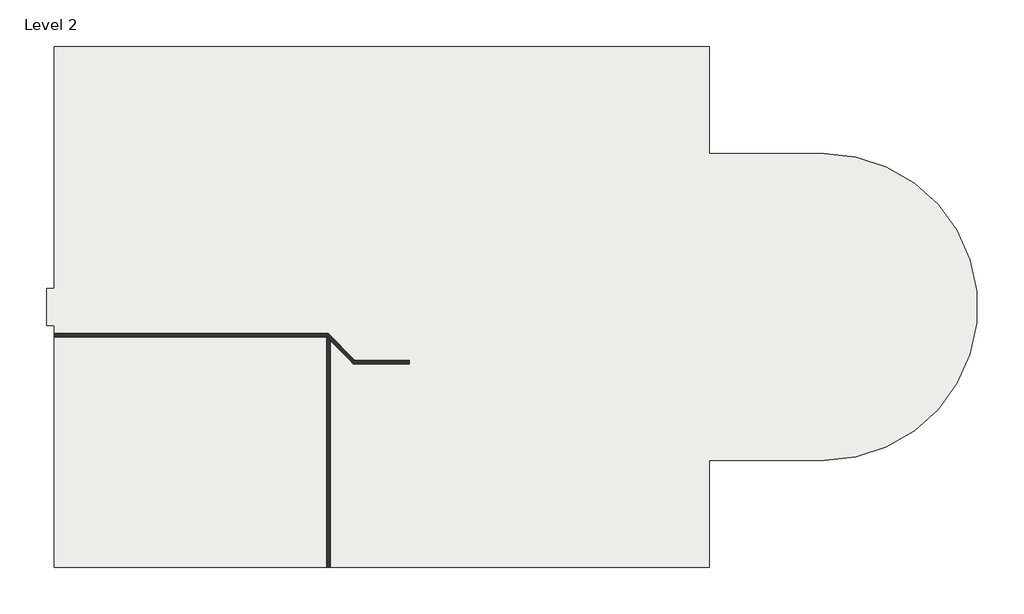
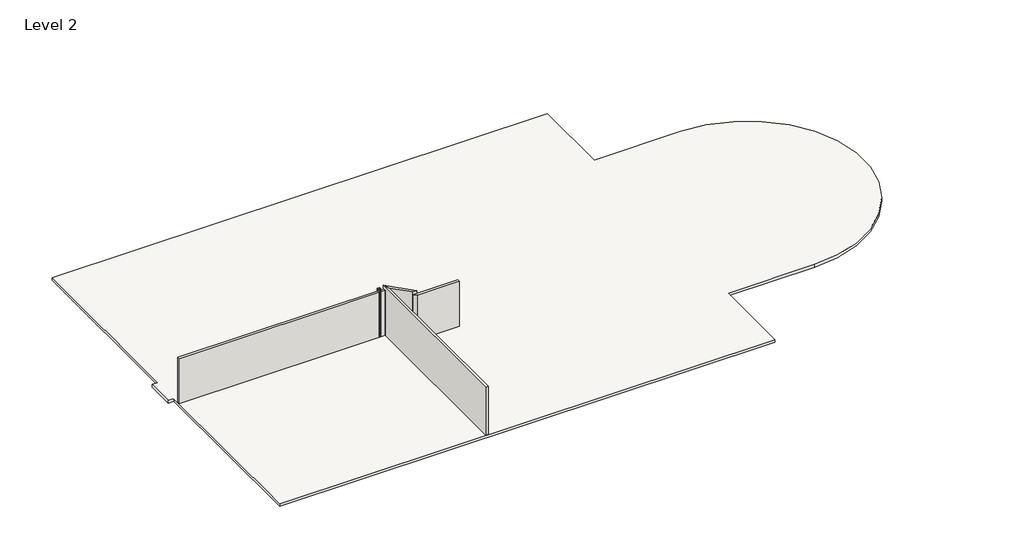
# One storey: 4 walls, 1 column, 1 slab.
"""IFC4 building model written with IfcOpenShell, lengths in millimetres."""

import ifcopenshell
import ifcopenshell.guid

model = None  # the IFC model being written
_history = None  # IfcOwnerHistory: only IFC2X3 demands one
_inside = {}  # id of a spatial element -> (the spatial element, [elements in it])
_under = {}  # id of a project, library or spatial element -> (it, [spatial elements below it])
_declared = {}  # id of a project -> (the project, [libraries it declares])
_typed = {}  # id of a type object -> (the type object, [elements of that type])
_made_of = {}  # id of a material, layer set ... -> (it, [elements and type objects made of it])


def new_model(schema):
    """Start an empty IFC model of exactly this schema.

    Asked for "IFC4X3", IfcOpenShell would pick the latest addendum, in which some entities
    have other attributes; the version numbers below select the first issue.
    IFC2X3 requires an IfcOwnerHistory on every rooted entity: one is made here for all.
    """
    global model, _history
    if schema == "IFC4X3":
        model = ifcopenshell.file(schema_version=(4, 3, 0, 0))
    else:
        model = ifcopenshell.file(schema=schema)
    _inside.clear()
    _under.clear()
    _declared.clear()
    _typed.clear()
    _made_of.clear()
    _history = None
    if model.schema == "IFC2X3":
        org = make("IfcOrganization", Name="unknown")
        user = make(
            "IfcPersonAndOrganization",
            ThePerson=make("IfcPerson", FamilyName="unknown"),
            TheOrganization=org,
        )
        app = make(
            "IfcApplication",
            ApplicationDeveloper=org,
            Version="unknown",
            ApplicationFullName="unknown",
            ApplicationIdentifier="unknown",
        )
        _history = make(
            "IfcOwnerHistory",
            OwningUser=user,
            OwningApplication=app,
            ChangeAction="ADDED",
            CreationDate=0,
        )
    return model


def make(cls, **values):
    """One entity of the class cls with the attributes given. An attribute that is None is left unset."""
    return model.create_entity(
        cls, **{name: value for name, value in values.items() if value is not None}
    )


def rooted(cls, **values):
    """An entity with a GlobalId (a new one), such as an element, a storey or a relation."""
    return make(cls, GlobalId=ifcopenshell.guid.new(), OwnerHistory=_history, **values)


def si_unit(unit_type, name, prefix=None):
    """IfcSIUnit, for example si_unit("LENGTHUNIT", "METRE", prefix="MILLI")."""
    return make("IfcSIUnit", UnitType=unit_type, Prefix=prefix, Name=name)


def assignment(units):
    """IfcUnitAssignment: the units of a project."""
    return None if units is None else make("IfcUnitAssignment", Units=units)


def point(xyz):
    """IfcCartesianPoint."""
    return None if xyz is None else make("IfcCartesianPoint", Coordinates=xyz)


def direction(xyz):
    """IfcDirection."""
    return None if xyz is None else make("IfcDirection", DirectionRatios=xyz)


def frame(location, z_axis=None, x_axis=None):
    """IfcAxis2Placement3D, a coordinate frame: its origin and axes. An axis left out is left unset."""
    return make(
        "IfcAxis2Placement3D",
        Location=point(location),
        Axis=direction(z_axis),
        RefDirection=direction(x_axis),
    )


def frame_2d(location, x_axis=None):
    """IfcAxis2Placement2D, a coordinate frame in the plane: its origin and x axis."""
    return make(
        "IfcAxis2Placement2D", Location=point(location), RefDirection=direction(x_axis)
    )


def origin():
    """The frame at (0, 0, 0) with its axes left unset."""
    return frame((0.0, 0.0, 0.0))


def place(relative_to, where):
    """IfcLocalPlacement: puts the frame where relative to a parent placement (None: the world)."""
    return make(
        "IfcLocalPlacement", PlacementRelTo=relative_to, RelativePlacement=where
    )


def context(
    kind, dimensions, precision=None, world=None, true_north=None, identifier=None
):
    """IfcGeometricRepresentationContext, for example the 3D "Model" context."""
    return make(
        "IfcGeometricRepresentationContext",
        ContextIdentifier=identifier,
        ContextType=kind,
        CoordinateSpaceDimension=dimensions,
        Precision=precision,
        WorldCoordinateSystem=world,
        TrueNorth=true_north,
    )


def project(units=None, contexts=None):
    """IfcProject with its units and contexts."""
    return rooted(
        "IfcProject",
        Name="project",
        RepresentationContexts=contexts,
        UnitsInContext=assignment(units),
    )


def spatial(cls, under=None, at=None, **own):
    """A site, building, storey or space (cls), placed at a placement, below another one or the project."""
    s = rooted(cls, ObjectPlacement=at, **own)
    if under is not None:
        _under.setdefault(under.id(), (under, []))[1].append(s)
    return s


def polyline(points):
    """IfcPolyline through the points."""
    return make("IfcPolyline", Points=[point(p) for p in points])


def circle_curve(where, radius):
    """IfcCircle in the frame where."""
    return make("IfcCircle", Position=where, Radius=radius)


def trimmed(basis, trim1, trim2, sense, master):
    """IfcTrimmedCurve: the piece of a basis curve between two trims."""
    return make(
        "IfcTrimmedCurve",
        BasisCurve=basis,
        Trim1=trim1,
        Trim2=trim2,
        SenseAgreement=sense,
        MasterRepresentation=master,
    )


def segment(curve, same_sense, transition):
    """IfcCompositeCurveSegment."""
    return make(
        "IfcCompositeCurveSegment",
        Transition=transition,
        SameSense=same_sense,
        ParentCurve=curve,
    )


def composite_curve(segments, self_intersect=None):
    """IfcCompositeCurve: segments joined end to end."""
    return make("IfcCompositeCurve", Segments=segments, SelfIntersect=self_intersect)


def outline(outer, holes=None, kind="AREA"):
    """IfcArbitraryClosedProfileDef: a profile drawn as a closed curve; with holes, ...WithVoids."""
    if holes is None:
        return make("IfcArbitraryClosedProfileDef", ProfileType=kind, OuterCurve=outer)
    return make(
        "IfcArbitraryProfileDefWithVoids",
        ProfileType=kind,
        OuterCurve=outer,
        InnerCurves=holes,
    )


def extrude(swept, where, along, depth):
    """IfcExtrudedAreaSolid: the profile swept, set in the frame where, extruded along a direction by depth."""
    return make(
        "IfcExtrudedAreaSolid",
        SweptArea=swept,
        Position=where,
        ExtrudedDirection=direction(along),
        Depth=depth,
    )


def faces_of(points, faces, orient=None, outer=None):
    """IfcFace entities. A face is a list of loops; a loop is a list of indices into points, from 0.

    orient and outer hold one flag for each loop. By default every Orientation is true, the
    first loop of a face is its IfcFaceOuterBound and the others are IfcFaceBound.
    """
    made = []
    for i, loops in enumerate(faces):
        bounds = []
        for j, loop in enumerate(loops):
            is_outer = j == 0 if outer is None else outer[i][j]
            bounds.append(
                make(
                    "IfcFaceOuterBound" if is_outer else "IfcFaceBound",
                    Bound=make("IfcPolyLoop", Polygon=[points[k] for k in loop]),
                    Orientation=True if orient is None else orient[i][j],
                )
            )
        made.append(make("IfcFace", Bounds=bounds))
    return made


def faceted_brep(points, faces, orient=None, outer=None, voids=None):
    """IfcFacetedBrep: a solid bounded by flat faces; with voids (closed shells), ...WithVoids."""
    shared = [point(p) for p in points]
    hull = make("IfcClosedShell", CfsFaces=faces_of(shared, faces, orient, outer))
    if voids is None:
        return make("IfcFacetedBrep", Outer=hull)
    return make(
        "IfcFacetedBrepWithVoids",
        Outer=hull,
        Voids=[
            make(cls, CfsFaces=faces_of(shared, fs, o, b)) for cls, fs, o, b in voids
        ],
    )


def shape(context_of_items, identifier, shape_type, items):
    """IfcShapeRepresentation: the items that make up one representation, for example the "Body"."""
    return make(
        "IfcShapeRepresentation",
        ContextOfItems=context_of_items,
        RepresentationIdentifier=identifier,
        RepresentationType=shape_type,
        Items=items,
    )


def source(mapping_origin, context_of_items, identifier, shape_type, items):
    """IfcRepresentationMap: a shape defined once, which mapped items show again and again."""
    return make(
        "IfcRepresentationMap",
        MappingOrigin=mapping_origin,
        MappedRepresentation=shape(context_of_items, identifier, shape_type, items),
    )


def transform(
    local_origin,
    x_axis=None,
    y_axis=None,
    z_axis=None,
    scale=None,
    scale2=None,
    scale3=None,
    uniform=True,
):
    """IfcCartesianTransformationOperator3D, or its non-uniform kind. x_axis, y_axis, z_axis: its Axis1, 2, 3."""
    if uniform:
        return make(
            "IfcCartesianTransformationOperator3D",
            Axis1=direction(x_axis),
            Axis2=direction(y_axis),
            LocalOrigin=point(local_origin),
            Scale=scale,
            Axis3=direction(z_axis),
        )
    return make(
        "IfcCartesianTransformationOperator3DnonUniform",
        Axis1=direction(x_axis),
        Axis2=direction(y_axis),
        LocalOrigin=point(local_origin),
        Scale=scale,
        Axis3=direction(z_axis),
        Scale2=scale2,
        Scale3=scale3,
    )


def mapped(mapping_source, mapping_target):
    """IfcMappedItem: shows the shape of a source again, moved by a transform."""
    return make(
        "IfcMappedItem", MappingSource=mapping_source, MappingTarget=mapping_target
    )


def made_of(thing, what):
    """Note that an element or type object is made of a material, layer set ...; save() writes the relation."""
    if what is not None:
        _made_of.setdefault(what.id(), (what, []))[1].append(thing)
    return thing


def element(
    cls,
    number,
    at=None,
    inside=None,
    cuts=None,
    type_object=None,
    material=None,
    context=None,
    identifier="Body",
    shape_type=None,
    held_by="IfcProductDefinitionShape",
    body=None,
    shapes=None,
    **own,
):
    """One element of the class cls, such as IfcWall. Its Tag is "e" and its number.

    at: its placement. inside: the storey or other place that contains it. cuts: it is an
    opening in that element (IfcRelVoidsElement). A single representation is given by context,
    identifier, shape_type and body (its items); several are given by shapes. held_by: the class
    of the entity that holds the representations. save() writes the other relations.
    """
    e = rooted(cls, Tag="e%d" % number, ObjectPlacement=at, **own)
    if body is not None:
        shapes = [shape(context, identifier, shape_type, body)]
    if shapes is not None:
        e.Representation = make(held_by, Representations=shapes)
    if inside is not None:
        _inside.setdefault(inside.id(), (inside, []))[1].append(e)
    if cuts is not None:
        rooted(
            "IfcRelVoidsElement", RelatingBuildingElement=cuts, RelatedOpeningElement=e
        )
    if type_object is not None:
        _typed.setdefault(type_object.id(), (type_object, []))[1].append(e)
    return made_of(e, material)


def aggregate(whole, parts):
    """IfcRelAggregates: a whole, such as a stair, and the parts it consists of."""
    return rooted("IfcRelAggregates", RelatingObject=whole, RelatedObjects=parts)


def save(model, path):
    """Write the relations noted so far, then the file.

    IfcRelAggregates (storeys below a building ...), IfcRelContainedInSpatialStructure (elements
    in a storey), IfcRelDefinesByType, IfcRelAssociatesMaterial and IfcRelDeclares: one each for
    every whole, place, type object, material and project.
    """
    for whole, parts in _under.values():
        aggregate(whole, parts)
    for where, things in _inside.values():
        rooted(
            "IfcRelContainedInSpatialStructure",
            RelatedElements=things,
            RelatingStructure=where,
        )
    for kind, things in _typed.values():
        rooted("IfcRelDefinesByType", RelatedObjects=things, RelatingType=kind)
    for what, things in _made_of.values():
        rooted("IfcRelAssociatesMaterial", RelatedObjects=things, RelatingMaterial=what)
    for by, libraries in _declared.values():
        rooted("IfcRelDeclares", RelatingContext=by, RelatedDefinitions=libraries)
    model.write(path)


def hss_hollow_structural_section_column_hss6x6x5_8_e76e96aa(model_context):
    return source(origin(), model_context, "Body", "SweptSolid", [
        extrude(outline(composite_curve([segment(trimmed(circle_curve(frame_2d((46.6852, 46.6852)), 29.5148), [point((46.6852, 76.2))], [point((76.2, 46.6852))], False, "CARTESIAN"), True, "CONTINUOUS"), segment(polyline([(76.2, 46.6852), (76.2, -46.6852)]), True, "CONTINUOUS"), segment(trimmed(circle_curve(frame_2d((46.6852, -46.6852)), 29.5148), [point((76.2, -46.6852))], [point((46.6852, -76.2))], False, "CARTESIAN"), True, "CONTINUOUS"), segment(polyline([(46.6852, -76.2), (-46.6852, -76.2)]), True, "CONTINUOUS"), segment(trimmed(circle_curve(frame_2d((-46.6852, -46.6852)), 29.5148), [point((-46.6852, -76.2))], [point((-76.2, -46.6852))], False, "CARTESIAN"), True, "CONTINUOUS"), segment(polyline([(-76.2, -46.6852), (-76.2, 46.6852)]), True, "CONTINUOUS"), segment(trimmed(circle_curve(frame_2d((-46.6852, 46.6852)), 29.5148), [point((-76.2, 46.6852))], [point((-46.6852, 76.2))], False, "CARTESIAN"), True, "CONTINUOUS"), segment(polyline([(-46.6852, 76.2), (46.6852, 76.2)]), True, "CONTINUOUS")], self_intersect=False), holes=[composite_curve([segment(polyline([(46.6852, 61.4426), (-46.6852, 61.4426)]), True, "CONTINUOUS"), segment(trimmed(circle_curve(frame_2d((-46.6852, 46.6852)), 14.7574), [point((-46.6852, 61.4426))], [point((-61.4426, 46.6852))], True, "CARTESIAN"), True, "CONTINUOUS"), segment(polyline([(-61.4426, 46.6852), (-61.4426, -46.6852)]), True, "CONTINUOUS"), segment(trimmed(circle_curve(frame_2d((-46.6852, -46.6852)), 14.7574), [point((-61.4426, -46.6852))], [point((-46.6852, -61.4426))], True, "CARTESIAN"), True, "CONTINUOUS"), segment(polyline([(-46.6852, -61.4426), (46.6852, -61.4426)]), True, "CONTINUOUS"), segment(trimmed(circle_curve(frame_2d((46.6852, -46.6852)), 14.7574), [point((46.6852, -61.4426))], [point((61.4426, -46.6852))], True, "CARTESIAN"), True, "CONTINUOUS"), segment(polyline([(61.4426, -46.6852), (61.4426, 46.6852)]), True, "CONTINUOUS"), segment(trimmed(circle_curve(frame_2d((46.6852, 46.6852)), 14.7574), [point((61.4426, 46.6852))], [point((46.6852, 61.4426))], True, "CARTESIAN"), True, "CONTINUOUS")], self_intersect=False)]), frame((0.0, 0.0, 3048.0), z_axis=(0.0, 0.0, 1.0), x_axis=(1.0, 0.0, 0.0)), (0.0, 0.0, 1.0), 3048.0),
    ])


model = new_model("IFC4")

# Units and contexts
model_context = context("Model", 3, world=origin())
ifc_project = project(units=[si_unit("LENGTHUNIT", "METRE", prefix="MILLI")], contexts=[model_context])

# Site, building, storey
site = spatial("IfcSite", under=ifc_project)
building = spatial("IfcBuilding", under=site)
storey = spatial("IfcBuildingStorey", under=building, Name="Level 2", Elevation=3048.0)

# Column
placement = place(None, origin())
hss_hollow_structural_section_column_hss6x6x5_8_shape = hss_hollow_structural_section_column_hss6x6x5_8_e76e96aa(model_context)
element("IfcColumn", 1, ObjectType="HSS-Hollow Structural Section-Column : HSS6X6X5/8", at=placement, inside=storey, context=model_context, shape_type="MappedRepresentation", body=[
    mapped(hss_hollow_structural_section_column_hss6x6x5_8_shape, transform((-11544.3802633, -2373.6009525, 0.0), x_axis=(1.0, 0.0, 0.0), y_axis=(0.0, 1.0, 0.0), z_axis=(0.0, 0.0, 1.0))),
])

# Slab
element("IfcSlab", 2, ObjectType="6\" Slab on Grade with 1\" Finish", at=placement, inside=storey, context=model_context, shape_type="SweptSolid", body=[
    extrude(outline(composite_curve([segment(polyline([(6176.8822367, 10775.6615475), (6176.8822367, 5898.8615475), (11393.4072367, 5898.8615475)]), True, "CONTINUOUS"), segment(trimmed(circle_curve(frame_2d((11393.4072367, -1076.6134525)), 6975.475), [point((11393.4072367, 5898.8615475))], [point((11393.4072367, -8052.0884525))], False, "CARTESIAN"), True, "CONTINUOUS"), segment(polyline([(11393.4072367, -8052.0884525), (6176.8822367, -8052.0884525), (6176.8822367, -12928.8884525), (-23623.6677633, -12928.8884525), (-23623.6677633, -1914.8134525), (-23963.3927633, -1914.8134525), (-23963.3927633, -238.4134525), (-23623.6677633, -238.4134525), (-23623.6677633, 10775.6615475), (6176.8822367, 10775.6615475)]), True, "CONTINUOUS")], self_intersect=False)), frame((0.0, 0.0, 2870.2), z_axis=(0.0, 0.0, 1.0), x_axis=(1.0, 0.0, 0.0)), (0.0, 0.0, 1.0), 177.8),
])

# Walls
element("IfcWall", 3, ObjectType="Interior - 6 1/8\" Partition (2-hr)", at=placement, inside=storey, context=model_context, shape_type="SweptSolid", body=[
    extrude(outline(polyline([(-11226.2340382, -2451.3884525), (-23610.9677633, -2451.3884525), (-23610.9677633, -2295.8134525), (-11161.7927633, -2295.8134525), (-11226.2340382, -2451.3884525)])), frame((0.0, 0.0, 3048.0), z_axis=(0.0, 0.0, 1.0), x_axis=(1.0, 0.0, 0.0)), (0.0, 0.0, 1.0), 2870.2),
])
element("IfcWall", 4, ObjectType="Interior - 6 1/8\" Partition (2-hr)", at=placement, inside=storey, context=model_context, shape_type="Brep", body=[
    faceted_brep([(-7471.9721258, -3515.0134525, 3048.0), (-9942.5927633, -3515.0134525, 3048.0), (-10162.6090382, -3515.0134525, 3048.0), (-10162.6090382, -3515.0134525, 5918.2), (-7471.9721258, -3515.0134525, 5918.2), (-7471.9721258, -3670.5884525, 3048.0), (-7471.9721258, -3670.5884525, 5918.2), (-10007.0340382, -3670.5884525, 5918.2), (-10007.0340382, -3670.5884525, 3048.0)], [[[0, 1, 2, 3, 4]], [[5, 6, 7, 8]], [[2, 1, 0, 5, 8]], [[0, 4, 6, 5]], [[4, 3, 7, 6]], [[3, 2, 8, 7]]]),
])
element("IfcWall", 5, ObjectType="Interior - 6 1/8\" Partition (2-hr)", at=placement, inside=storey, context=model_context, shape_type="Brep", body=[
    faceted_brep([(-9942.5927633, -3515.0134525, 3048.0), (-11161.7927633, -2295.8134525, 3048.0), (-11161.7927633, -2295.8134525, 5918.2), (-11226.2340382, -2231.3721775, 5918.2), (-11226.2340382, -2231.3721775, 6096.0), (-9942.5927633, -3515.0134525, 6096.0), (-10162.6090382, -3515.0134525, 3048.0), (-10162.6090382, -3515.0134525, 5918.2), (-10162.6090382, -3515.0134525, 6096.0), (-11070.6590382, -2606.9634525, 6096.0), (-11070.6590382, -2606.9634525, 5918.2), (-11226.2340382, -2451.3884525, 5918.2), (-11226.2340382, -2451.3884525, 3048.0), (-11070.6590382, -2606.9634525, 3048.0), (-11180.6671757, -2341.380315, 5918.2)], [[[0, 1, 2, 3, 4, 5]], [[6, 7, 8, 9, 10, 11, 12, 13]], [[1, 0, 6, 13, 12]], [[5, 4, 9, 8]], [[0, 5, 8, 7, 6]], [[10, 14, 11]], [[2, 1, 12, 11, 14]], [[4, 3, 14, 10, 9]], [[14, 3, 2]]]),
])
element("IfcWall", 6, ObjectType="Interior - 6 1/8\" Partition (2-hr)", at=placement, inside=storey, context=model_context, shape_type="Brep", body=[
    faceted_brep([(-11226.2340382, -2451.3884525, 3048.0), (-11226.2340382, -12916.1884525, 3048.0), (-11226.2340382, -12916.1884525, 6096.0), (-11226.2340382, -2231.3721775, 6096.0), (-11226.2340382, -2231.3721775, 5918.2), (-11226.2340382, -2451.3884525, 5918.2), (-11070.6590382, -2606.9634525, 3048.0), (-11070.6590382, -2606.9634525, 5918.2), (-11070.6590382, -2606.9634525, 6096.0), (-11070.6590382, -12916.1884525, 6096.0), (-11070.6590382, -12916.1884525, 3048.0), (-11180.6671757, -2341.380315, 5918.2)], [[[0, 1, 2, 3, 4, 5]], [[6, 7, 8, 9, 10]], [[1, 0, 6, 10]], [[3, 2, 9, 8]], [[2, 1, 10, 9]], [[4, 11, 7, 5]], [[0, 5, 7, 6]], [[4, 3, 8, 7, 11]]]),
])

save(model, "model.ifc")
